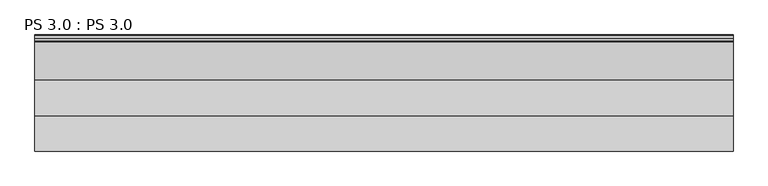
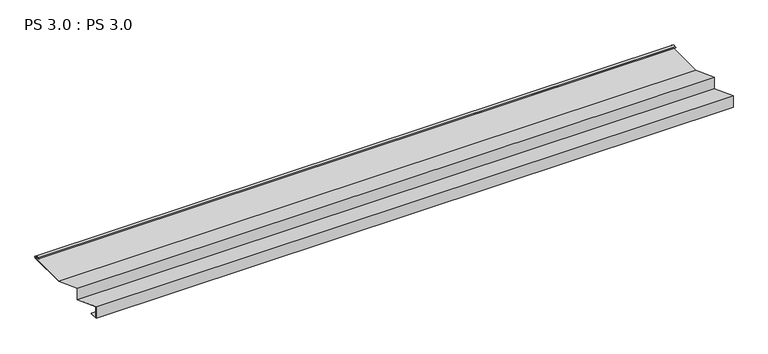
"""IFC4 building model written with IfcOpenShell, lengths in millimetres: proxy geometry, PS 3.0 : PS 3.0."""

import ifcopenshell
import ifcopenshell.guid

model = None  # the IFC model being written
_history = None  # IfcOwnerHistory: only IFC2X3 demands one
_inside = {}  # id of a spatial element -> (the spatial element, [elements in it])
_under = {}  # id of a project, library or spatial element -> (it, [spatial elements below it])
_declared = {}  # id of a project -> (the project, [libraries it declares])
_typed = {}  # id of a type object -> (the type object, [elements of that type])
_made_of = {}  # id of a material, layer set ... -> (it, [elements and type objects made of it])


def new_model(schema):
    """Start an empty IFC model of exactly this schema.

    Asked for "IFC4X3", IfcOpenShell would pick the latest addendum, in which some entities
    have other attributes; the version numbers below select the first issue.
    IFC2X3 requires an IfcOwnerHistory on every rooted entity: one is made here for all.
    """
    global model, _history
    if schema == "IFC4X3":
        model = ifcopenshell.file(schema_version=(4, 3, 0, 0))
    else:
        model = ifcopenshell.file(schema=schema)
    _inside.clear()
    _under.clear()
    _declared.clear()
    _typed.clear()
    _made_of.clear()
    _history = None
    if model.schema == "IFC2X3":
        org = make("IfcOrganization", Name="unknown")
        user = make(
            "IfcPersonAndOrganization",
            ThePerson=make("IfcPerson", FamilyName="unknown"),
            TheOrganization=org,
        )
        app = make(
            "IfcApplication",
            ApplicationDeveloper=org,
            Version="unknown",
            ApplicationFullName="unknown",
            ApplicationIdentifier="unknown",
        )
        _history = make(
            "IfcOwnerHistory",
            OwningUser=user,
            OwningApplication=app,
            ChangeAction="ADDED",
            CreationDate=0,
        )
    return model


def make(cls, **values):
    """One entity of the class cls with the attributes given. An attribute that is None is left unset."""
    return model.create_entity(
        cls, **{name: value for name, value in values.items() if value is not None}
    )


def rooted(cls, **values):
    """An entity with a GlobalId (a new one), such as an element, a storey or a relation."""
    return make(cls, GlobalId=ifcopenshell.guid.new(), OwnerHistory=_history, **values)


def si_unit(unit_type, name, prefix=None):
    """IfcSIUnit, for example si_unit("LENGTHUNIT", "METRE", prefix="MILLI")."""
    return make("IfcSIUnit", UnitType=unit_type, Prefix=prefix, Name=name)


def assignment(units):
    """IfcUnitAssignment: the units of a project."""
    return None if units is None else make("IfcUnitAssignment", Units=units)


def point(xyz):
    """IfcCartesianPoint."""
    return None if xyz is None else make("IfcCartesianPoint", Coordinates=xyz)


def direction(xyz):
    """IfcDirection."""
    return None if xyz is None else make("IfcDirection", DirectionRatios=xyz)


def frame(location, z_axis=None, x_axis=None):
    """IfcAxis2Placement3D, a coordinate frame: its origin and axes. An axis left out is left unset."""
    return make(
        "IfcAxis2Placement3D",
        Location=point(location),
        Axis=direction(z_axis),
        RefDirection=direction(x_axis),
    )


def frame_2d(location, x_axis=None):
    """IfcAxis2Placement2D, a coordinate frame in the plane: its origin and x axis."""
    return make(
        "IfcAxis2Placement2D", Location=point(location), RefDirection=direction(x_axis)
    )


def origin():
    """The frame at (0, 0, 0) with its axes left unset."""
    return frame((0.0, 0.0, 0.0))


def place(relative_to, where):
    """IfcLocalPlacement: puts the frame where relative to a parent placement (None: the world)."""
    return make(
        "IfcLocalPlacement", PlacementRelTo=relative_to, RelativePlacement=where
    )


def context(
    kind, dimensions, precision=None, world=None, true_north=None, identifier=None
):
    """IfcGeometricRepresentationContext, for example the 3D "Model" context."""
    return make(
        "IfcGeometricRepresentationContext",
        ContextIdentifier=identifier,
        ContextType=kind,
        CoordinateSpaceDimension=dimensions,
        Precision=precision,
        WorldCoordinateSystem=world,
        TrueNorth=true_north,
    )


def project(units=None, contexts=None):
    """IfcProject with its units and contexts."""
    return rooted(
        "IfcProject",
        Name="project",
        RepresentationContexts=contexts,
        UnitsInContext=assignment(units),
    )


def spatial(cls, under=None, at=None, **own):
    """A site, building, storey or space (cls), placed at a placement, below another one or the project."""
    s = rooted(cls, ObjectPlacement=at, **own)
    if under is not None:
        _under.setdefault(under.id(), (under, []))[1].append(s)
    return s


def polyline(points):
    """IfcPolyline through the points."""
    return make("IfcPolyline", Points=[point(p) for p in points])


def circle_curve(where, radius):
    """IfcCircle in the frame where."""
    return make("IfcCircle", Position=where, Radius=radius)


def trimmed(basis, trim1, trim2, sense, master):
    """IfcTrimmedCurve: the piece of a basis curve between two trims."""
    return make(
        "IfcTrimmedCurve",
        BasisCurve=basis,
        Trim1=trim1,
        Trim2=trim2,
        SenseAgreement=sense,
        MasterRepresentation=master,
    )


def segment(curve, same_sense, transition):
    """IfcCompositeCurveSegment."""
    return make(
        "IfcCompositeCurveSegment",
        Transition=transition,
        SameSense=same_sense,
        ParentCurve=curve,
    )


def composite_curve(segments, self_intersect=None):
    """IfcCompositeCurve: segments joined end to end."""
    return make("IfcCompositeCurve", Segments=segments, SelfIntersect=self_intersect)


def outline(outer, holes=None, kind="AREA"):
    """IfcArbitraryClosedProfileDef: a profile drawn as a closed curve; with holes, ...WithVoids."""
    if holes is None:
        return make("IfcArbitraryClosedProfileDef", ProfileType=kind, OuterCurve=outer)
    return make(
        "IfcArbitraryProfileDefWithVoids",
        ProfileType=kind,
        OuterCurve=outer,
        InnerCurves=holes,
    )


def extrude(swept, where, along, depth):
    """IfcExtrudedAreaSolid: the profile swept, set in the frame where, extruded along a direction by depth."""
    return make(
        "IfcExtrudedAreaSolid",
        SweptArea=swept,
        Position=where,
        ExtrudedDirection=direction(along),
        Depth=depth,
    )


def shape(context_of_items, identifier, shape_type, items):
    """IfcShapeRepresentation: the items that make up one representation, for example the "Body"."""
    return make(
        "IfcShapeRepresentation",
        ContextOfItems=context_of_items,
        RepresentationIdentifier=identifier,
        RepresentationType=shape_type,
        Items=items,
    )


def source(mapping_origin, context_of_items, identifier, shape_type, items):
    """IfcRepresentationMap: a shape defined once, which mapped items show again and again."""
    return make(
        "IfcRepresentationMap",
        MappingOrigin=mapping_origin,
        MappedRepresentation=shape(context_of_items, identifier, shape_type, items),
    )


def transform(
    local_origin,
    x_axis=None,
    y_axis=None,
    z_axis=None,
    scale=None,
    scale2=None,
    scale3=None,
    uniform=True,
):
    """IfcCartesianTransformationOperator3D, or its non-uniform kind. x_axis, y_axis, z_axis: its Axis1, 2, 3."""
    if uniform:
        return make(
            "IfcCartesianTransformationOperator3D",
            Axis1=direction(x_axis),
            Axis2=direction(y_axis),
            LocalOrigin=point(local_origin),
            Scale=scale,
            Axis3=direction(z_axis),
        )
    return make(
        "IfcCartesianTransformationOperator3DnonUniform",
        Axis1=direction(x_axis),
        Axis2=direction(y_axis),
        LocalOrigin=point(local_origin),
        Scale=scale,
        Axis3=direction(z_axis),
        Scale2=scale2,
        Scale3=scale3,
    )


def mapped(mapping_source, mapping_target):
    """IfcMappedItem: shows the shape of a source again, moved by a transform."""
    return make(
        "IfcMappedItem", MappingSource=mapping_source, MappingTarget=mapping_target
    )


def made_of(thing, what):
    """Note that an element or type object is made of a material, layer set ...; save() writes the relation."""
    if what is not None:
        _made_of.setdefault(what.id(), (what, []))[1].append(thing)
    return thing


def element(
    cls,
    number,
    at=None,
    inside=None,
    cuts=None,
    type_object=None,
    material=None,
    context=None,
    identifier="Body",
    shape_type=None,
    held_by="IfcProductDefinitionShape",
    body=None,
    shapes=None,
    **own,
):
    """One element of the class cls, such as IfcWall. Its Tag is "e" and its number.

    at: its placement. inside: the storey or other place that contains it. cuts: it is an
    opening in that element (IfcRelVoidsElement). A single representation is given by context,
    identifier, shape_type and body (its items); several are given by shapes. held_by: the class
    of the entity that holds the representations. save() writes the other relations.
    """
    e = rooted(cls, Tag="e%d" % number, ObjectPlacement=at, **own)
    if body is not None:
        shapes = [shape(context, identifier, shape_type, body)]
    if shapes is not None:
        e.Representation = make(held_by, Representations=shapes)
    if inside is not None:
        _inside.setdefault(inside.id(), (inside, []))[1].append(e)
    if cuts is not None:
        rooted(
            "IfcRelVoidsElement", RelatingBuildingElement=cuts, RelatedOpeningElement=e
        )
    if type_object is not None:
        _typed.setdefault(type_object.id(), (type_object, []))[1].append(e)
    return made_of(e, material)


def aggregate(whole, parts):
    """IfcRelAggregates: a whole, such as a stair, and the parts it consists of."""
    return rooted("IfcRelAggregates", RelatingObject=whole, RelatedObjects=parts)


def save(model, path):
    """Write the relations noted so far, then the file.

    IfcRelAggregates (storeys below a building ...), IfcRelContainedInSpatialStructure (elements
    in a storey), IfcRelDefinesByType, IfcRelAssociatesMaterial and IfcRelDeclares: one each for
    every whole, place, type object, material and project.
    """
    for whole, parts in _under.values():
        aggregate(whole, parts)
    for where, things in _inside.values():
        rooted(
            "IfcRelContainedInSpatialStructure",
            RelatedElements=things,
            RelatingStructure=where,
        )
    for kind, things in _typed.values():
        rooted("IfcRelDefinesByType", RelatedObjects=things, RelatingType=kind)
    for what, things in _made_of.values():
        rooted("IfcRelAssociatesMaterial", RelatedObjects=things, RelatingMaterial=what)
    for by, libraries in _declared.values():
        rooted("IfcRelDeclares", RelatingContext=by, RelatedDefinitions=libraries)
    model.write(path)


def ps_3_0_ps_3_0_3dec9cac(model_context):
    return source(origin(), model_context, "Body", "SweptSolid", [
        extrude(outline(composite_curve([segment(polyline([(0.0, 0.0), (0.0, 38.0), (100.0, 0.0), (100.0, 38.0), (200.0, 0.0), (325.0510156, 0.0)]), True, "CONTINUOUS"), segment(trimmed(circle_curve(frame_2d((324.3094696, 1.9153551)), 2.0538928), [point((325.0510156, 0.0))], [point((325.1748462, 3.778041))], True, "CARTESIAN"), True, "CONTINUOUS"), segment(polyline([(325.1748462, 3.778041), (308.7874714, 6.923107)]), True, "CONTINUOUS"), segment(trimmed(circle_curve(frame_2d((309.4078886, 8.6005442)), 1.7884947), [point((308.7874714, 6.923107))], [point((308.9525789, 10.3301125))], False, "CARTESIAN"), True, "CONTINUOUS"), segment(polyline([(308.9525789, 10.3301125), (316.459338, 11.6715995), (316.635255, 10.6871945), (309.1762081, 9.3542338)]), True, "CONTINUOUS"), segment(trimmed(circle_curve(frame_2d((309.4078886, 8.6005442)), 0.7884947), [point((309.1762081, 9.3542338))], [point((309.0735117, 7.8864603))], True, "CARTESIAN"), True, "CONTINUOUS"), segment(polyline([(309.0735117, 7.8864603), (325.4722719, 4.7392091)]), True, "CONTINUOUS"), segment(trimmed(circle_curve(frame_2d((324.3094696, 1.9153551)), 3.0538928), [point((325.4722719, 4.7392091))], [point((325.2188462, -1.0))], False, "CARTESIAN"), True, "CONTINUOUS"), segment(polyline([(325.2188462, -1.0), (199.8164044, -1.0), (101.0, 36.5502337), (101.0, -1.4497663), (1.0, 36.5502337), (1.0, 1.0), (25.0, 1.0), (25.0, 0.0), (0.0, 0.0)]), True, "CONTINUOUS")], self_intersect=False)), frame((0.0, 0.0, 0.0), z_axis=(1.0, 0.0, 0.0), x_axis=(0.0, 1.0, 0.0)), (0.0, 0.0, 1.0), 1968.6),
    ])


if __name__ == "__main__":
    model = new_model("IFC4")
    model_context = context("Model", 3, world=origin())
    ifc_project = project(units=[si_unit("LENGTHUNIT", "METRE", prefix="MILLI")], contexts=[model_context])
    site = spatial("IfcSite", under=ifc_project)
    building = spatial("IfcBuilding", under=site)
    placement = place(None, origin())
    ps_3_0_ps_3_0_shape = ps_3_0_ps_3_0_3dec9cac(model_context)
    element("IfcBuildingElementProxy", 1, Name="PS 3.0 : PS 3.0", ObjectType="PS 3.0 : PS 3.0", at=placement, inside=building, context=model_context, shape_type="MappedRepresentation", body=[
        mapped(ps_3_0_ps_3_0_shape, transform((0.0, 0.0, 0.0), x_axis=(1.0, 0.0, 0.0), y_axis=(0.0, 1.0, 0.0), z_axis=(0.0, 0.0, 1.0))),
    ])
    save(model, "model.ifc")
